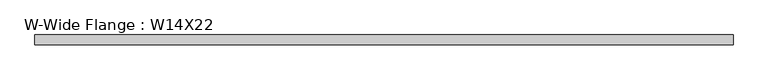
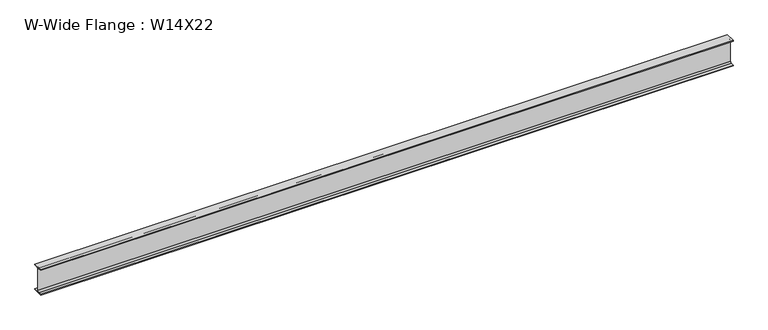
"""IFC4 building model written with IfcOpenShell, lengths in millimetres: beam geometry, W-Wide Flange : W14X22."""

from ifc_helpers import new_model, si_unit, point, frame, frame_2d, origin, place, context, project, spatial, polyline, circle_curve, trimmed, segment, composite_curve, outline, extrude, source, transform, mapped, element, save


def w_wide_flange_w14x22_2b5cb7dc(model_context):
    return source(origin(), model_context, "Body", "SweptSolid", [
        extrude(outline(composite_curve([segment(polyline([(63.5, -165.4472656), (63.5, -173.9800781), (-63.5, -173.9800781), (-63.5, -165.4472656), (-21.3816406, -165.4472656)]), True, "CONTINUOUS"), segment(trimmed(circle_curve(frame_2d((-21.3816406, -146.9925781)), 18.4546875), [point((-21.3816406, -165.4472656))], [point((-2.9269531, -146.9925781))], True, "CARTESIAN"), True, "CONTINUOUS"), segment(polyline([(-2.9269531, -146.9925781), (-2.9269531, 146.9925781)]), True, "CONTINUOUS"), segment(trimmed(circle_curve(frame_2d((-21.3816406, 146.9925781)), 18.4546875), [point((-2.9269531, 146.9925781))], [point((-21.3816406, 165.4472656))], True, "CARTESIAN"), True, "CONTINUOUS"), segment(polyline([(-21.3816406, 165.4472656), (-63.5, 165.4472656), (-63.5, 173.9800781), (63.5, 173.9800781), (63.5, 165.4472656), (21.3816406, 165.4472656)]), True, "CONTINUOUS"), segment(trimmed(circle_curve(frame_2d((21.3816406, 146.9925781)), 18.4546875), [point((21.3816406, 165.4472656))], [point((2.9269531, 146.9925781))], True, "CARTESIAN"), True, "CONTINUOUS"), segment(polyline([(2.9269531, 146.9925781), (2.9269531, -146.9925781)]), True, "CONTINUOUS"), segment(trimmed(circle_curve(frame_2d((21.3816406, -146.9925781)), 18.4546875), [point((2.9269531, -146.9925781))], [point((21.3816406, -165.4472656))], True, "CARTESIAN"), True, "CONTINUOUS"), segment(polyline([(21.3816406, -165.4472656), (63.5, -165.4472656)]), True, "CONTINUOUS")], self_intersect=False)), frame((-4533.9, 0.0, 0.0), z_axis=(1.0, 0.0, 0.0), x_axis=(0.0, 1.0, 0.0)), (0.0, 0.0, 1.0), 9030.096875),
    ])


if __name__ == "__main__":
    model = new_model("IFC4")
    model_context = context("Model", 3, world=origin())
    ifc_project = project(units=[si_unit("LENGTHUNIT", "METRE", prefix="MILLI")], contexts=[model_context])
    site = spatial("IfcSite", under=ifc_project)
    building = spatial("IfcBuilding", under=site)
    placement = place(None, origin())
    w_wide_flange_w14x22_shape = w_wide_flange_w14x22_2b5cb7dc(model_context)
    element("IfcBeam", 1, ObjectType="W-Wide Flange : W14X22", at=placement, inside=building, context=model_context, shape_type="MappedRepresentation", body=[
        mapped(w_wide_flange_w14x22_shape, transform((0.0, 0.0, 0.0), x_axis=(1.0, 0.0, 0.0), y_axis=(0.0, 1.0, 0.0), z_axis=(0.0, 0.0, 1.0))),
    ])
    save(model, "model.ifc")
